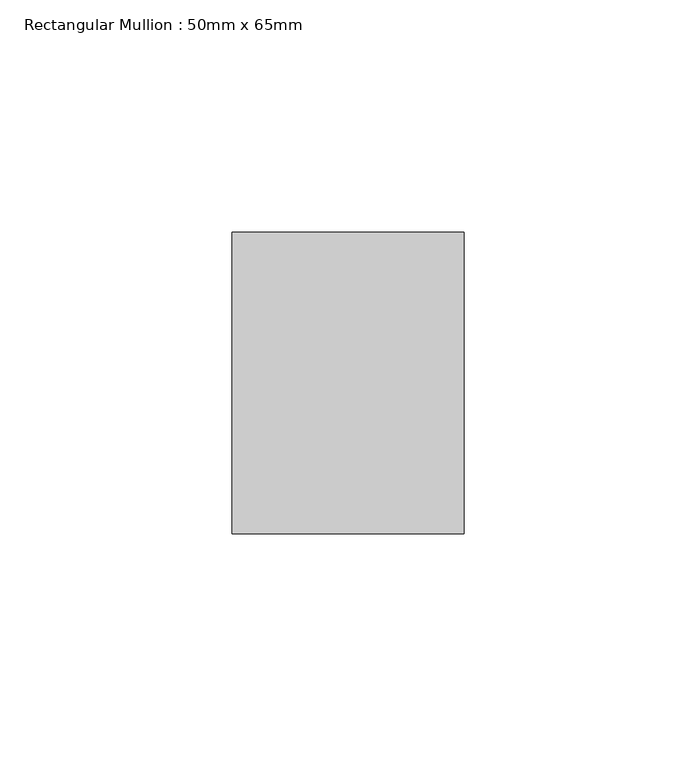
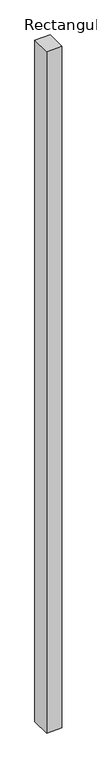
"""IFC4 building model written with IfcOpenShell, lengths in millimetres: member geometry, Rectangular Mullion : 50mm x 65mm."""

from ifc_helpers import new_model, si_unit, frame, origin, place, context, project, spatial, polyline, outline, extrude, source, transform, mapped, element, save


def rectangular_mullion_50mm_x_65mm_65e86c1a(model_context):
    return source(origin(), model_context, "Body", "SweptSolid", [
        extrude(outline(polyline([(25.0, 32.5), (25.0, -32.5), (-25.0, -32.5), (-25.0, 32.5), (25.0, 32.5)])), frame((0.0, 0.0, -2332.1781039), z_axis=(0.0, 0.0, 1.0), x_axis=(1.0, 0.0, 0.0)), (0.0, 0.0, 1.0), 2332.1781039),
    ])


if __name__ == "__main__":
    model = new_model("IFC4")
    model_context = context("Model", 3, world=origin())
    ifc_project = project(units=[si_unit("LENGTHUNIT", "METRE", prefix="MILLI")], contexts=[model_context])
    site = spatial("IfcSite", under=ifc_project)
    building = spatial("IfcBuilding", under=site)
    placement = place(None, origin())
    rectangular_mullion_50mm_x_65mm_shape = rectangular_mullion_50mm_x_65mm_65e86c1a(model_context)
    element("IfcMember", 1, ObjectType="Rectangular Mullion : 50mm x 65mm", at=placement, inside=building, context=model_context, shape_type="MappedRepresentation", body=[
        mapped(rectangular_mullion_50mm_x_65mm_shape, transform((0.0, 0.0, 0.0), x_axis=(1.0, 0.0, 0.0), y_axis=(0.0, 1.0, 0.0), z_axis=(0.0, 0.0, 1.0))),
    ])
    save(model, "model.ifc")
